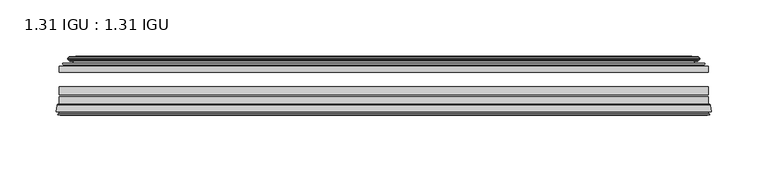
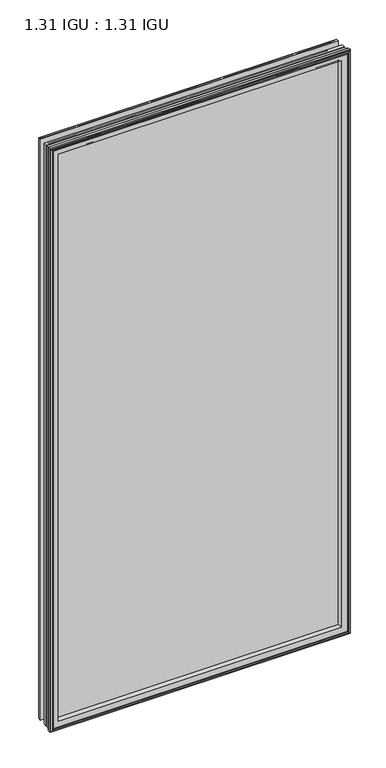
"""IFC4 building model written with IfcOpenShell, lengths in millimetres: plate geometry, 1.31 IGU : 1.31 IGU."""

from ifc_helpers import new_model, si_unit, frame, origin, place, context, project, spatial, polyline, ellipse_curve, outline, extrude, source, transform, mapped, element, save
from ifc_brep_helpers import plane_surface, cylinder_surface, revolved_surface, advanced_brep


def plate_1_31_igu_1_31_igu_f7e7b8e7(model_context):
    return source(origin(), model_context, "Body", "SolidModel", [
        extrude(outline(polyline([(287.3325649, -44.8960875), (287.3325649, -50.4332875), (-287.3375, -50.4332875), (-287.3375, -44.8960875), (287.3325649, -44.8960875)])), frame((0.0, 0.0, -14.2875), z_axis=(0.0, 0.0, 1.0), x_axis=(1.0, 0.0, 0.0)), (0.0, 0.0, 1.0), 1184.275),
        extrude(outline(polyline([(-287.3375, -78.7796875), (-287.3375, -71.7692875), (287.3325649, -71.7692875), (287.3325649, -78.7796875), (-287.3375, -78.7796875)])), frame((0.0, 0.0, -14.2875), z_axis=(0.0, 0.0, 1.0), x_axis=(1.0, 0.0, 0.0)), (0.0, 0.0, 1.0), 1184.275),
        extrude(outline(polyline([(-287.3375, -70.2452875), (-287.3375, -63.1332875), (287.3325649, -63.1332875), (287.3325649, -70.2452875), (-287.3375, -70.2452875)])), frame((0.0, 0.0, -14.2875), z_axis=(0.0, 0.0, 1.0), x_axis=(1.0, 0.0, 0.0)), (0.0, 0.0, 1.0), 1184.275),
        advanced_brep(
        [(-289.8844039, -85.1296875, 1172.5344039), (-289.1896201, -79.4711276, 1171.8396201), (-289.1896201, -79.4711276, -16.1396201), (-289.8844039, -85.1296875, -16.8344039), (-287.4968039, -87.1207518, 1170.1468039), (-287.9540039, -85.1296875, 1170.6040039), (-287.9540039, -85.1296875, -14.9040039), (-287.4968039, -87.1207518, -14.4468039), (-288.4981658, -86.8524376, 1171.1481658), (-288.4981658, -86.8524376, -15.4481658), (-288.7414039, -87.7602147, 1171.3914039), (-288.7414039, -87.7602147, -15.6914039), (-286.7094039, -88.3046875, 1169.3594039), (-286.7094039, -88.3046875, -13.6594039), (-284.6774039, -87.7602147, 1167.3274039), (-284.6774039, -87.7602147, -11.6274039), (-284.9206421, -86.8524376, 1167.5706421), (-284.9206421, -86.8524376, -11.8706421), (-285.9220039, -87.1207518, 1168.5720039), (-285.9220039, -87.1207518, -12.8720039), (-285.4648039, -85.1296875, 1168.1148039), (-285.4648039, -85.1296875, -12.4148039), (-288.4080893, -78.7796875, 1171.0580893), (-288.4080893, -78.7796875, -15.3580893), (289.1896201, -79.4711276, -16.1396201), (289.8844039, -85.1296875, -16.8344039), (287.9540039, -85.1296875, -14.9040039), (287.4968039, -87.1207518, -14.4468039), (288.4981658, -86.8524376, -15.4481658), (288.7414039, -87.7602147, -15.6914039), (286.7094039, -88.3046875, -13.6594039), (284.6774039, -87.7602147, -11.6274039), (284.9206421, -86.8524376, -11.8706421), (285.9220039, -87.1207518, -12.8720039), (285.4648039, -85.1296875, -12.4148039), (288.4080893, -78.7796875, -15.3580893), (289.1896201, -79.4711276, 1171.8396201), (289.8844039, -85.1296875, 1172.5344039), (287.9540039, -85.1296875, 1170.6040039), (287.4968039, -87.1207518, 1170.1468039), (288.4981658, -86.8524376, 1171.1481658), (288.7414039, -87.7602147, 1171.3914039), (286.7094039, -88.3046875, 1169.3594039), (284.6774039, -87.7602147, 1167.3274039), (284.9206421, -86.8524376, 1167.5706421), (285.9220039, -87.1207518, 1168.5720039), (285.4648039, -85.1296875, 1168.1148039), (288.4080893, -78.7796875, 1171.0580893), (-273.0622131, -85.1296875, 1155.7122131), (273.0622131, -85.1296875, 1155.7122131), (273.0622131, -85.1296875, -0.0122131), (-273.0622131, -85.1296875, -0.0122131), (-269.7459362, -78.7796875, 3.3040638), (269.7459362, -78.7796875, 3.3040638), (269.7459362, -78.7796875, 1152.3959362), (-269.7459362, -78.7796875, 1152.3959362)],
        [
            (0, 1),
            (1, 2),
            (2, 3),
            (3, 0),
            (4, 5),
            (5, 6),
            (6, 7),
            (7, 4),
            (8, 4),
            (7, 9),
            (9, 8),
            (10, 8),
            (9, 11),
            (11, 10),
            (12, 10),
            (11, 13),
            (13, 12),
            (14, 12),
            (13, 15),
            (15, 14),
            (16, 14),
            (15, 17),
            (17, 16),
            (18, 16),
            (17, 19),
            (19, 18),
            (20, 18),
            (19, 21),
            (21, 20),
            (1, 22, ellipse_curve(frame((-288.4080893, -79.5670875, 1171.0580893), z_axis=(-0.7071067811865475, 0.0, -0.7071067811865475), x_axis=(-0.7071067811865474, 0.0, 0.7071067811865476)), 1.1135518, 0.7874)),
            (22, 23),
            (23, 2, ellipse_curve(frame((-288.4080893, -79.5670875, -15.3580893), z_axis=(-0.7071067811865475, 0.0, 0.7071067811865475), x_axis=(0.7071067811865474, 0.0, 0.7071067811865476)), 1.1135518, 0.7874)),
            (2, 24),
            (24, 25),
            (25, 3),
            (6, 26),
            (26, 27),
            (27, 7),
            (27, 28),
            (28, 9),
            (28, 29),
            (29, 11),
            (29, 30),
            (30, 13),
            (30, 31),
            (31, 15),
            (31, 32),
            (32, 17),
            (32, 33),
            (33, 19),
            (33, 34),
            (34, 21),
            (23, 35),
            (35, 24, ellipse_curve(frame((288.4080893, -79.5670875, -15.3580893), z_axis=(-0.7071067811865475, 0.0, -0.7071067811865475), x_axis=(-0.7071067811865476, 0.0, 0.7071067811865474)), 1.1135518, 0.7874)),
            (24, 36),
            (36, 37),
            (37, 25),
            (26, 38),
            (38, 39),
            (39, 27),
            (39, 40),
            (40, 28),
            (40, 41),
            (41, 29),
            (41, 42),
            (42, 30),
            (42, 43),
            (43, 31),
            (43, 44),
            (44, 32),
            (44, 45),
            (45, 33),
            (45, 46),
            (46, 34),
            (35, 47),
            (47, 36, ellipse_curve(frame((288.4080893, -79.5670875, 1171.0580893), z_axis=(0.7071067811865475, 0.0, -0.7071067811865475), x_axis=(-0.7071067811865474, 0.0, -0.7071067811865476)), 1.1135518, 0.7874)),
            (36, 1),
            (0, 37),
            (5, 38),
            (4, 39),
            (8, 40),
            (10, 41),
            (12, 42),
            (14, 43),
            (16, 44),
            (18, 45),
            (20, 46),
            (48, 49),
            (49, 50),
            (50, 51),
            (51, 48),
            (22, 47),
            (52, 53),
            (53, 54),
            (54, 55),
            (55, 52),
            (55, 48, ellipse_curve(frame((-261.8129182, -86.963653, 1144.4629182), z_axis=(0.7071067811865475, 0.0, 0.7071067811865475), x_axis=(0.7071067811865474, 0.0, -0.7071067811865476)), 16.118937, 11.3978097)),
            (51, 52, ellipse_curve(frame((-261.8129182, -86.963653, 11.2370818), z_axis=(0.7071067811865475, 0.0, -0.7071067811865475), x_axis=(-0.7071067811865474, 0.0, -0.7071067811865476)), 16.118937, 11.3978097)),
            (50, 53, ellipse_curve(frame((261.8129182, -86.963653, 11.2370818), z_axis=(0.7071067811865475, 0.0, 0.7071067811865475), x_axis=(0.7071067811865476, 0.0, -0.7071067811865474)), 16.118937, 11.3978097)),
            (49, 54, ellipse_curve(frame((261.8129182, -86.963653, 1144.4629182), z_axis=(-0.7071067811865475, 0.0, 0.7071067811865475), x_axis=(0.7071067811865474, 0.0, 0.7071067811865476)), 16.118937, 11.3978097)),
        ],
        [
            plane_surface(frame((-289.1896201, -79.4711276, 1171.8396201), z_axis=(-0.9925461516413008, 0.12186934340532066, 0.0), x_axis=(0.0, 0.0, -1.0))),
            plane_surface(frame((-287.9540039, -85.1296875, 1170.6040039), z_axis=(-0.9746347637895996, -0.22380142361654334, 0.0), x_axis=(0.0, 0.0, -1.0))),
            plane_surface(frame((-287.4968039, -87.1207518, 1170.1468039), z_axis=(0.25881904510266784, 0.9659258262890289, 0.0), x_axis=(0.0, 0.0, -1.0))),
            plane_surface(frame((-288.4981658, -86.8524376, 1171.1481658), z_axis=(-0.9659258262890449, 0.2588190451026083, 0.0), x_axis=(0.0, 0.0, -1.0))),
            plane_surface(frame((-288.7414039, -87.7602147, 1171.3914039), z_axis=(-0.2588190451025689, -0.9659258262890554, 0.0), x_axis=(0.0, 0.0, -1.0))),
            plane_surface(frame((-286.7094039, -88.3046875, 1169.3594039), z_axis=(0.25881904510241466, -0.9659258262890968, 0.0), x_axis=(0.0, 0.0, -1.0))),
            plane_surface(frame((-284.6774039, -87.7602147, 1167.3274039), z_axis=(0.9659258262890272, 0.25881904510267406, 0.0), x_axis=(0.0, 0.0, -1.0))),
            plane_surface(frame((-284.9206421, -86.8524376, 1167.5706421), z_axis=(-0.25881904510234177, 0.9659258262891163, 0.0), x_axis=(0.0, 0.0, -1.0))),
            plane_surface(frame((-285.9220039, -87.1207518, 1168.5720039), z_axis=(0.9746347637895937, -0.22380142361656946, 0.0), x_axis=(0.0, 0.0, -1.0))),
            cylinder_surface(frame((-288.4080893, -79.5670875, 1187.45), z_axis=(0.0, 0.0, 1.0), x_axis=(-1.0, 0.0, 0.0)), 0.7874),
            plane_surface(frame((-289.1896201, -79.4711276, -16.1396201), z_axis=(0.0, 0.12186934340531747, -0.9925461516413012), x_axis=(1.0, 0.0, 0.0))),
            plane_surface(frame((-287.9540039, -85.1296875, -14.9040039), z_axis=(0.0, -0.22380142361654648, -0.9746347637895989), x_axis=(1.0, 0.0, 0.0))),
            plane_surface(frame((-287.4968039, -87.1207518, -14.4468039), z_axis=(0.0, 0.9659258262890298, 0.25881904510266474), x_axis=(1.0, 0.0, 0.0))),
            plane_surface(frame((-288.4981658, -86.8524376, -15.4481658), z_axis=(0.0, 0.25881904510260517, -0.9659258262890458), x_axis=(1.0, 0.0, 0.0))),
            plane_surface(frame((-288.7414039, -87.7602147, -15.6914039), z_axis=(0.0, -0.9659258262890563, -0.2588190451025658), x_axis=(1.0, 0.0, 0.0))),
            plane_surface(frame((-286.7094039, -88.3046875, -13.6594039), z_axis=(0.0, -0.965925826289096, 0.25881904510241777), x_axis=(1.0, 0.0, 0.0))),
            plane_surface(frame((-284.6774039, -87.7602147, -11.6274039), z_axis=(0.0, 0.2588190451026772, 0.9659258262890265), x_axis=(1.0, 0.0, 0.0))),
            plane_surface(frame((-284.9206421, -86.8524376, -11.8706421), z_axis=(0.0, 0.9659258262891154, -0.2588190451023449), x_axis=(1.0, 0.0, 0.0))),
            plane_surface(frame((-285.9220039, -87.1207518, -12.8720039), z_axis=(0.0, -0.22380142361656633, 0.9746347637895943), x_axis=(1.0, 0.0, 0.0))),
            cylinder_surface(frame((-304.8, -79.5670875, -15.3580893), z_axis=(-1.0, 0.0, 0.0), x_axis=(0.0, 0.0, -1.0)), 0.7874),
            plane_surface(frame((289.1896201, -79.4711276, -16.1396201), z_axis=(0.9925461516413017, 0.12186934340531427, 0.0), x_axis=(0.0, 0.0, 1.0))),
            plane_surface(frame((287.9540039, -85.1296875, -14.9040039), z_axis=(0.9746347637895982, -0.22380142361654962, 0.0), x_axis=(0.0, 0.0, 1.0))),
            plane_surface(frame((287.4968039, -87.1207518, -14.4468039), z_axis=(-0.2588190451026616, 0.9659258262890307, 0.0), x_axis=(0.0, 0.0, 1.0))),
            plane_surface(frame((288.4981658, -86.8524376, -15.4481658), z_axis=(0.9659258262890467, 0.25881904510260206, 0.0), x_axis=(0.0, 0.0, 1.0))),
            plane_surface(frame((288.7414039, -87.7602147, -15.6914039), z_axis=(0.2588190451025627, -0.9659258262890572, 0.0), x_axis=(0.0, 0.0, 1.0))),
            plane_surface(frame((286.7094039, -88.3046875, -13.6594039), z_axis=(-0.2588190451024209, -0.9659258262890951, 0.0), x_axis=(0.0, 0.0, 1.0))),
            plane_surface(frame((284.6774039, -87.7602147, -11.6274039), z_axis=(-0.9659258262890256, 0.25881904510268033, 0.0), x_axis=(0.0, 0.0, 1.0))),
            plane_surface(frame((284.9206421, -86.8524376, -11.8706421), z_axis=(0.25881904510234804, 0.9659258262891146, 0.0), x_axis=(0.0, 0.0, 1.0))),
            plane_surface(frame((285.9220039, -87.1207518, -12.8720039), z_axis=(-0.974634763789595, -0.2238014236165632, 0.0), x_axis=(0.0, 0.0, 1.0))),
            cylinder_surface(frame((288.4080893, -79.5670875, -31.75), z_axis=(0.0, 0.0, -1.0), x_axis=(1.0, 0.0, 0.0)), 0.7874),
            plane_surface(frame((289.1896201, -79.4711276, 1171.8396201), z_axis=(0.0, 0.12186934340531747, 0.9925461516413012), x_axis=(-1.0, 0.0, 0.0))),
            plane_surface(frame((289.8844039, -85.1296875, 1172.5344039), z_axis=(0.0, -1.0, 0.0), x_axis=(-1.0, 0.0, 0.0))),
            plane_surface(frame((287.9540039, -85.1296875, 1170.6040039), z_axis=(0.0, -0.22380142361654648, 0.9746347637895989), x_axis=(-1.0, 0.0, 0.0))),
            plane_surface(frame((287.4968039, -87.1207518, 1170.1468039), z_axis=(0.0, 0.9659258262890298, -0.25881904510266474), x_axis=(-1.0, 0.0, 0.0))),
            plane_surface(frame((288.4981658, -86.8524376, 1171.1481658), z_axis=(0.0, 0.25881904510260517, 0.9659258262890458), x_axis=(-1.0, 0.0, 0.0))),
            plane_surface(frame((288.7414039, -87.7602147, 1171.3914039), z_axis=(0.0, -0.9659258262890563, 0.2588190451025658), x_axis=(-1.0, 0.0, 0.0))),
            plane_surface(frame((286.7094039, -88.3046875, 1169.3594039), z_axis=(0.0, -0.965925826289096, -0.25881904510241777), x_axis=(-1.0, 0.0, 0.0))),
            plane_surface(frame((284.6774039, -87.7602147, 1167.3274039), z_axis=(0.0, 0.2588190451026772, -0.9659258262890265), x_axis=(-1.0, 0.0, 0.0))),
            plane_surface(frame((284.9206421, -86.8524376, 1167.5706421), z_axis=(0.0, 0.9659258262891155, 0.25881904510234494), x_axis=(-1.0, 0.0, 0.0))),
            plane_surface(frame((285.9220039, -87.1207518, 1168.5720039), z_axis=(0.0, -0.22380142361656633, -0.9746347637895943), x_axis=(-1.0, 0.0, 0.0))),
            plane_surface(frame((285.4648039, -85.1296875, 1168.1148039), z_axis=(0.0, -1.0, 0.0), x_axis=(-1.0, 0.0, 0.0))),
            plane_surface(frame((269.7459362, -78.7796875, 1152.3959362), z_axis=(0.0, 1.0, 0.0), x_axis=(-1.0, 0.0, 0.0))),
            cylinder_surface(frame((304.8, -79.5670875, 1171.0580893), z_axis=(1.0, 0.0, 0.0), x_axis=(0.0, 0.0, 1.0)), 0.7874),
            revolved_surface(polyline([(-273.2107279, -86.963653, -0.1607278582187064), (-273.2107279, -86.963653, 1155.8607278582188)]), (-261.8129182, -86.963653, 1187.45), (0.0, 0.0, -1.0)),
            revolved_surface(polyline([(273.2107278582187, -86.963653, -0.16072789999999948), (-273.2107278582188, -86.963653, -0.16072789999999948)]), (-304.8, -86.963653, 11.2370818), (1.0, 0.0, 0.0)),
            revolved_surface(polyline([(273.2107279, -86.963653, 1155.8607278582188), (273.2107279, -86.963653, -0.16072785821874191)]), (261.8129182, -86.963653, -31.75), (0.0, 0.0, 1.0)),
            revolved_surface(polyline([(-273.2107278582187, -86.963653, 1155.8607279), (273.2107278582188, -86.963653, 1155.8607279)]), (304.8, -86.963653, 1144.4629182), (-1.0, 0.0, 0.0)),
        ],
        [
            (0, [[1, 2, 3, 4]]),
            (1, [[5, 6, 7, 8]]),
            (2, [[9, -8, 10, 11]]),
            (3, [[12, -11, 13, 14]]),
            (4, [[15, -14, 16, 17]]),
            (5, [[18, -17, 19, 20]]),
            (6, [[21, -20, 22, 23]]),
            (7, [[24, -23, 25, 26]]),
            (8, [[27, -26, 28, 29]]),
            (9, [[30, 31, 32, -2]]),
            (10, [[-3, 33, 34, 35]]),
            (11, [[-7, 36, 37, 38]]),
            (12, [[-10, -38, 39, 40]]),
            (13, [[-13, -40, 41, 42]]),
            (14, [[-16, -42, 43, 44]]),
            (15, [[-19, -44, 45, 46]]),
            (16, [[-22, -46, 47, 48]]),
            (17, [[-25, -48, 49, 50]]),
            (18, [[-28, -50, 51, 52]]),
            (19, [[-32, 53, 54, -33]]),
            (20, [[-34, 55, 56, 57]]),
            (21, [[-37, 58, 59, 60]]),
            (22, [[-39, -60, 61, 62]]),
            (23, [[-41, -62, 63, 64]]),
            (24, [[-43, -64, 65, 66]]),
            (25, [[-45, -66, 67, 68]]),
            (26, [[-47, -68, 69, 70]]),
            (27, [[-49, -70, 71, 72]]),
            (28, [[-51, -72, 73, 74]]),
            (29, [[-54, 75, 76, -55]]),
            (30, [[-56, 77, -1, 78]]),
            (31, [[-35, -57, -78, -4], [79, -58, -36, -6]]),
            (32, [[-59, -79, -5, 80]]),
            (33, [[-61, -80, -9, 81]]),
            (34, [[-63, -81, -12, 82]]),
            (35, [[-65, -82, -15, 83]]),
            (36, [[-67, -83, -18, 84]]),
            (37, [[-69, -84, -21, 85]]),
            (38, [[-71, -85, -24, 86]]),
            (39, [[-73, -86, -27, 87]]),
            (40, [[-52, -74, -87, -29], [88, 89, 90, 91]]),
            (41, [[92, -75, -53, -31], [93, 94, 95, 96]]),
            (42, [[-76, -92, -30, -77]]),
            (43, [[97, -91, 98, -96]]),
            (44, [[-98, -90, 99, -93]]),
            (45, [[-99, -89, 100, -94]]),
            (46, [[-100, -88, -97, -95]]),
        ],
    ),
        advanced_brep(
        [(-277.9921755, -37.7373382, 1160.6421755), (-273.0505426, -36.3108875, 1155.7005426), (-273.0505426, -36.3108875, -0.0005426), (-277.9921755, -37.7373382, -4.9421755), (-277.8270702, -36.9605789, 1160.4770702), (-277.8270702, -36.9605789, -4.7770702), (-278.4225559, -36.4771203, 1161.0725559), (-278.4225559, -36.4771203, -5.3725559), (-279.6871917, -37.766076, 1162.3371917), (-279.6871917, -37.766076, -6.6371917), (-279.6763749, -38.8797852, 1162.3263749), (-279.6763749, -38.8797852, -6.6263749), (-278.3948897, -40.1361433, 1161.0448897), (-278.3948897, -40.1361433, -5.3448897), (-277.7898829, -39.649943, 1160.4398829), (-277.7898829, -39.649943, -4.7398829), (-278.3438972, -39.0959287, 1160.9938972), (-278.3438972, -39.0959287, -5.2938972), (-276.0580887, -38.7029881, 1158.7080887), (-276.0580887, -38.7029881, -3.0080887), (-274.5990157, -40.2107282, 1157.2490157), (-274.5990157, -40.2107282, -1.5490157), (-274.8955976, -41.651269, 1157.5455976), (-274.8955976, -41.651269, -1.8455976), (-275.6668221, -42.2798875, 1158.3168221), (-275.6668221, -42.2798875, -2.6168221), (-283.9707984, -43.4871542, 1166.6207984), (-283.6955969, -42.2798875, 1166.3455969), (-283.6955969, -42.2798875, -10.6455969), (-283.9707984, -43.4871542, -10.9207984), (-280.5132297, -44.8960875, 1163.1632297), (-280.5132297, -44.8960875, -7.4632297), (-269.4156059, -44.023302, 1152.0656059), (-269.7709439, -44.8960875, 1152.4209439), (-269.7709439, -44.8960875, 3.2790561), (-269.4156059, -44.023302, 3.6343941), (-270.086804, -43.3681812, 1152.736804), (-270.086804, -43.3681812, 2.963196), (-271.7275946, -40.6686056, 1154.3775946), (-271.7275946, -40.6686056, 1.3224054), (273.0505426, -36.3108875, -0.0005426), (277.9921755, -37.7373382, -4.9421755), (277.8270702, -36.9605789, -4.7770702), (278.4225559, -36.4771203, -5.3725559), (279.6871917, -37.766076, -6.6371917), (279.6763749, -38.8797852, -6.6263749), (278.3948897, -40.1361433, -5.3448897), (277.7898829, -39.649943, -4.7398829), (278.3438972, -39.0959287, -5.2938972), (276.0580887, -38.7029881, -3.0080887), (274.5990157, -40.2107282, -1.5490157), (274.8955976, -41.651269, -1.8455976), (275.6668221, -42.2798875, -2.6168221), (283.6955969, -42.2798875, -10.6455969), (283.9707984, -43.4871542, -10.9207984), (280.5132297, -44.8960875, -7.4632297), (269.7709439, -44.8960875, 3.2790561), (269.4156059, -44.023302, 3.6343941), (270.086804, -43.3681812, 2.963196), (271.7275946, -40.6686056, 1.3224054), (273.0505426, -36.3108875, 1155.7005426), (277.9921755, -37.7373382, 1160.6421755), (277.8270702, -36.9605789, 1160.4770702), (278.4225559, -36.4771203, 1161.0725559), (279.6871917, -37.766076, 1162.3371917), (279.6763749, -38.8797852, 1162.3263749), (278.3948897, -40.1361433, 1161.0448897), (277.7898829, -39.649943, 1160.4398829), (278.3438972, -39.0959287, 1160.9938972), (276.0580887, -38.7029881, 1158.7080887), (274.5990157, -40.2107282, 1157.2490157), (274.8955976, -41.651269, 1157.5455976), (275.6668221, -42.2798875, 1158.3168221), (283.6955969, -42.2798875, 1166.3455969), (283.9707984, -43.4871542, 1166.6207984), (280.5132297, -44.8960875, 1163.1632297), (269.7709439, -44.8960875, 1152.4209439), (269.4156059, -44.023302, 1152.0656059), (270.086804, -43.3681812, 1152.736804), (271.7275946, -40.6686056, 1154.3775946)],
        [
            (0, 1),
            (1, 2),
            (2, 3),
            (3, 0),
            (4, 0),
            (3, 5),
            (5, 4),
            (6, 4, ellipse_curve(frame((-278.1475871, -36.746901, 1160.7975871), z_axis=(-0.7071067811865475, 0.0, -0.7071067811865475), x_axis=(-0.7071067811865474, 0.0, 0.7071067811865476)), 0.5447741, 0.3852135)),
            (5, 7, ellipse_curve(frame((-278.1475871, -36.746901, -5.0975871), z_axis=(-0.7071067811865475, 0.0, 0.7071067811865475), x_axis=(0.7071067811865474, 0.0, 0.7071067811865476)), 0.5447741, 0.3852135)),
            (7, 6),
            (8, 6),
            (7, 9),
            (9, 8),
            (10, 8, ellipse_curve(frame((-279.1251387, -38.3175243, 1161.7751387), z_axis=(-0.7071067811865475, 0.0, -0.7071067811865475), x_axis=(-0.7071067811865474, 0.0, 0.7071067811865476)), 1.1135518, 0.7874)),
            (9, 11, ellipse_curve(frame((-279.1251387, -38.3175243, -6.0751387), z_axis=(-0.7071067811865475, 0.0, 0.7071067811865475), x_axis=(0.7071067811865474, 0.0, 0.7071067811865476)), 1.1135518, 0.7874)),
            (11, 10),
            (12, 10),
            (11, 13),
            (13, 12),
            (14, 12, ellipse_curve(frame((-278.1212922, -39.8570738, 1160.7712922), z_axis=(-0.7071067811865475, 0.0, -0.7071067811865475), x_axis=(-0.7071067811865474, 0.0, 0.7071067811865476)), 0.552694, 0.3908137)),
            (13, 15, ellipse_curve(frame((-278.1212922, -39.8570738, -5.0712922), z_axis=(-0.7071067811865475, 0.0, 0.7071067811865475), x_axis=(0.7071067811865474, 0.0, 0.7071067811865476)), 0.552694, 0.3908137)),
            (15, 14),
            (16, 14),
            (15, 17),
            (17, 16),
            (18, 16),
            (17, 19),
            (19, 18),
            (20, 18, ellipse_curve(frame((-275.8429261, -39.954629, 1158.4929261), z_axis=(0.7071067811865475, 0.0, 0.7071067811865475), x_axis=(0.7071067811865474, 0.0, -0.7071067811865476)), 1.7960512, 1.27)),
            (19, 21, ellipse_curve(frame((-275.8429261, -39.954629, -2.7929261), z_axis=(0.7071067811865475, 0.0, -0.7071067811865475), x_axis=(-0.7071067811865474, 0.0, -0.7071067811865476)), 1.7960512, 1.27)),
            (21, 20),
            (22, 20),
            (21, 23),
            (23, 22),
            (24, 22, ellipse_curve(frame((-275.6668221, -41.4924875, 1158.3168221), z_axis=(0.7071067811865475, 0.0, 0.7071067811865475), x_axis=(0.7071067811865474, 0.0, -0.7071067811865476)), 1.1135518, 0.7874)),
            (23, 25, ellipse_curve(frame((-275.6668221, -41.4924875, -2.6168221), z_axis=(0.7071067811865475, 0.0, -0.7071067811865475), x_axis=(-0.7071067811865474, 0.0, -0.7071067811865476)), 1.1135518, 0.7874)),
            (25, 24),
            (26, 27, ellipse_curve(frame((-283.6955969, -42.9148875, 1166.3455969), z_axis=(-0.7071067811865475, 0.0, -0.7071067811865475), x_axis=(-0.7071067811865474, 0.0, 0.7071067811865476)), 0.8980256, 0.635)),
            (27, 28),
            (28, 29, ellipse_curve(frame((-283.6955969, -42.9148875, -10.6455969), z_axis=(-0.7071067811865475, 0.0, 0.7071067811865475), x_axis=(0.7071067811865474, 0.0, 0.7071067811865476)), 0.8980256, 0.635)),
            (29, 26),
            (30, 26),
            (29, 31),
            (31, 30),
            (32, 33, ellipse_curve(frame((-269.7709439, -44.3873602, 1152.4209439), z_axis=(-0.7071067811865475, 0.0, -0.7071067811865475), x_axis=(-0.7071067811865474, 0.0, 0.7071067811865476)), 0.719449, 0.5087273)),
            (33, 34),
            (34, 35, ellipse_curve(frame((-269.7709439, -44.3873602, 3.2790561), z_axis=(-0.7071067811865475, 0.0, 0.7071067811865475), x_axis=(0.7071067811865474, 0.0, 0.7071067811865476)), 0.719449, 0.5087273)),
            (35, 32),
            (36, 32),
            (35, 37),
            (37, 36),
            (38, 36, ellipse_curve(frame((-265.6514298, -38.823959, 1148.3014298), z_axis=(0.7071067811865475, 0.0, 0.7071067811865475), x_axis=(0.7071067811865474, 0.0, -0.7071067811865476)), 8.9802561, 6.35)),
            (37, 39, ellipse_curve(frame((-265.6514298, -38.823959, 7.3985702), z_axis=(0.7071067811865475, 0.0, -0.7071067811865475), x_axis=(-0.7071067811865474, 0.0, -0.7071067811865476)), 8.9802561, 6.35)),
            (39, 38),
            (1, 38),
            (39, 2),
            (2, 40),
            (40, 41),
            (41, 3),
            (41, 42),
            (42, 5),
            (42, 43, ellipse_curve(frame((278.1475871, -36.746901, -5.0975871), z_axis=(-0.7071067811865475, 0.0, -0.7071067811865475), x_axis=(-0.7071067811865476, 0.0, 0.7071067811865474)), 0.5447741, 0.3852135)),
            (43, 7),
            (43, 44),
            (44, 9),
            (44, 45, ellipse_curve(frame((279.1251387, -38.3175243, -6.0751387), z_axis=(-0.7071067811865475, 0.0, -0.7071067811865475), x_axis=(-0.7071067811865476, 0.0, 0.7071067811865474)), 1.1135518, 0.7874)),
            (45, 11),
            (45, 46),
            (46, 13),
            (46, 47, ellipse_curve(frame((278.1212922, -39.8570738, -5.0712922), z_axis=(-0.7071067811865475, 0.0, -0.7071067811865475), x_axis=(-0.7071067811865476, 0.0, 0.7071067811865474)), 0.552694, 0.3908137)),
            (47, 15),
            (47, 48),
            (48, 17),
            (48, 49),
            (49, 19),
            (49, 50, ellipse_curve(frame((275.8429261, -39.954629, -2.7929261), z_axis=(0.7071067811865475, 0.0, 0.7071067811865475), x_axis=(0.7071067811865476, 0.0, -0.7071067811865474)), 1.7960512, 1.27)),
            (50, 21),
            (50, 51),
            (51, 23),
            (51, 52, ellipse_curve(frame((275.6668221, -41.4924875, -2.6168221), z_axis=(0.7071067811865475, 0.0, 0.7071067811865475), x_axis=(0.7071067811865476, 0.0, -0.7071067811865474)), 1.1135518, 0.7874)),
            (52, 25),
            (28, 53),
            (53, 54, ellipse_curve(frame((283.6955969, -42.9148875, -10.6455969), z_axis=(-0.7071067811865475, 0.0, -0.7071067811865475), x_axis=(-0.7071067811865476, 0.0, 0.7071067811865474)), 0.8980256, 0.635)),
            (54, 29),
            (54, 55),
            (55, 31),
            (34, 56),
            (56, 57, ellipse_curve(frame((269.7709439, -44.3873602, 3.2790561), z_axis=(-0.7071067811865475, 0.0, -0.7071067811865475), x_axis=(-0.7071067811865476, 0.0, 0.7071067811865474)), 0.719449, 0.5087273)),
            (57, 35),
            (57, 58),
            (58, 37),
            (58, 59, ellipse_curve(frame((265.6514298, -38.823959, 7.3985702), z_axis=(0.7071067811865475, 0.0, 0.7071067811865475), x_axis=(0.7071067811865476, 0.0, -0.7071067811865474)), 8.9802561, 6.35)),
            (59, 39),
            (59, 40),
            (40, 60),
            (60, 61),
            (61, 41),
            (61, 62),
            (62, 42),
            (62, 63, ellipse_curve(frame((278.1475871, -36.746901, 1160.7975871), z_axis=(0.7071067811865475, 0.0, -0.7071067811865475), x_axis=(-0.7071067811865474, 0.0, -0.7071067811865476)), 0.5447741, 0.3852135)),
            (63, 43),
            (63, 64),
            (64, 44),
            (64, 65, ellipse_curve(frame((279.1251387, -38.3175243, 1161.7751387), z_axis=(0.7071067811865475, 0.0, -0.7071067811865475), x_axis=(-0.7071067811865474, 0.0, -0.7071067811865476)), 1.1135518, 0.7874)),
            (65, 45),
            (65, 66),
            (66, 46),
            (66, 67, ellipse_curve(frame((278.1212922, -39.8570738, 1160.7712922), z_axis=(0.7071067811865475, 0.0, -0.7071067811865475), x_axis=(-0.7071067811865474, 0.0, -0.7071067811865476)), 0.552694, 0.3908137)),
            (67, 47),
            (67, 68),
            (68, 48),
            (68, 69),
            (69, 49),
            (69, 70, ellipse_curve(frame((275.8429261, -39.954629, 1158.4929261), z_axis=(-0.7071067811865475, 0.0, 0.7071067811865475), x_axis=(0.7071067811865474, 0.0, 0.7071067811865476)), 1.7960512, 1.27)),
            (70, 50),
            (70, 71),
            (71, 51),
            (71, 72, ellipse_curve(frame((275.6668221, -41.4924875, 1158.3168221), z_axis=(-0.7071067811865475, 0.0, 0.7071067811865475), x_axis=(0.7071067811865474, 0.0, 0.7071067811865476)), 1.1135518, 0.7874)),
            (72, 52),
            (53, 73),
            (73, 74, ellipse_curve(frame((283.6955969, -42.9148875, 1166.3455969), z_axis=(0.7071067811865475, 0.0, -0.7071067811865475), x_axis=(-0.7071067811865474, 0.0, -0.7071067811865476)), 0.8980256, 0.635)),
            (74, 54),
            (74, 75),
            (75, 55),
            (56, 76),
            (76, 77, ellipse_curve(frame((269.7709439, -44.3873602, 1152.4209439), z_axis=(0.7071067811865475, 0.0, -0.7071067811865475), x_axis=(-0.7071067811865474, 0.0, -0.7071067811865476)), 0.719449, 0.5087273)),
            (77, 57),
            (77, 78),
            (78, 58),
            (78, 79, ellipse_curve(frame((265.6514298, -38.823959, 1148.3014298), z_axis=(-0.7071067811865475, 0.0, 0.7071067811865475), x_axis=(0.7071067811865474, 0.0, 0.7071067811865476)), 8.9802561, 6.35)),
            (79, 59),
            (79, 60),
            (60, 1),
            (0, 61),
            (4, 62),
            (6, 63),
            (8, 64),
            (10, 65),
            (12, 66),
            (14, 67),
            (16, 68),
            (18, 69),
            (20, 70),
            (22, 71),
            (24, 72),
            (27, 73),
            (26, 74),
            (30, 75),
            (33, 76),
            (32, 77),
            (36, 78),
            (38, 79),
        ],
        [
            plane_surface(frame((-273.0505426, -36.3108875, 1155.7005426), z_axis=(-0.27733649284928463, 0.9607728502273879, 0.0), x_axis=(0.0, 0.0, -1.0))),
            plane_surface(frame((-277.9921755, -37.7373382, 1160.6421755), z_axis=(0.9781476007338358, -0.20791169081761768, 0.0), x_axis=(0.0, 0.0, -1.0))),
            cylinder_surface(frame((-278.1475871, -36.746901, 1187.45), z_axis=(0.0, 0.0, 1.0), x_axis=(-1.0, 0.0, 0.0)), 0.3852135),
            plane_surface(frame((-278.4225559, -36.4771203, 1161.0725559), z_axis=(-0.7138087599382162, 0.7003406701280928, 0.0), x_axis=(0.0, 0.0, -1.0))),
            cylinder_surface(frame((-279.1251387, -38.3175243, 1187.45), z_axis=(0.0, 0.0, 1.0), x_axis=(-1.0, 0.0, 0.0)), 0.7874),
            plane_surface(frame((-279.6763749, -38.8797852, 1162.3263749), z_axis=(-0.7000714109283732, -0.7140728391423082, 0.0), x_axis=(0.0, 0.0, -1.0))),
            cylinder_surface(frame((-278.1212922, -39.8570738, 1187.45), z_axis=(0.0, 0.0, 1.0), x_axis=(-1.0, 0.0, 0.0)), 0.3908137),
            plane_surface(frame((-277.7898829, -39.649943, 1160.4398829), z_axis=(0.7071067811861126, 0.7071067811869826, 0.0), x_axis=(0.0, 0.0, -1.0))),
            plane_surface(frame((-278.3438972, -39.0959287, 1160.9938972), z_axis=(0.16941940671011485, -0.9855440449974789, 0.0), x_axis=(0.0, 0.0, -1.0))),
            revolved_surface(polyline([(-277.1129261, -39.954629, -4.062926082878221), (-277.1129261, -39.954629, 1159.7629260828783)]), (-275.8429261, -39.954629, 1187.45), (0.0, 0.0, -1.0)),
            plane_surface(frame((-274.5990157, -40.2107282, 1157.2490157), z_axis=(-0.9794570432566897, 0.201652920670302, 0.0), x_axis=(0.0, 0.0, -1.0))),
            revolved_surface(polyline([(-276.4542221, -41.4924875, -3.4042221289826102), (-276.4542221, -41.4924875, 1159.1042221289827)]), (-275.6668221, -41.4924875, 1187.45), (0.0, 0.0, -1.0)),
            cylinder_surface(frame((-283.6955969, -42.9148875, 1187.45), z_axis=(0.0, 0.0, 1.0), x_axis=(-1.0, 0.0, 0.0)), 0.635),
            plane_surface(frame((-283.9707984, -43.4871542, 1166.6207984), z_axis=(-0.37736447542757934, -0.9260648209954139, 0.0), x_axis=(0.0, 0.0, -1.0))),
            cylinder_surface(frame((-269.7709439, -44.3873602, 1187.45), z_axis=(0.0, 0.0, 1.0), x_axis=(-1.0, 0.0, 0.0)), 0.5087273),
            plane_surface(frame((-269.4156059, -44.023302, 1152.0656059), z_axis=(0.698484125849927, 0.7156255486884628, 0.0), x_axis=(0.0, 0.0, -1.0))),
            revolved_surface(polyline([(-272.00142980000004, -38.823959, 1.0485702148980636), (-272.00142980000004, -38.823959, 1154.651429785102)]), (-265.6514298, -38.823959, 1187.45), (0.0, 0.0, -1.0)),
            plane_surface(frame((-271.7275946, -40.6686056, 1154.3775946), z_axis=(0.9568763473517009, 0.2904955350411896, 0.0), x_axis=(0.0, 0.0, -1.0))),
            plane_surface(frame((-273.0505426, -36.3108875, -0.0005426), z_axis=(0.0, 0.960772850227387, -0.27733649284928774), x_axis=(1.0, 0.0, 0.0))),
            plane_surface(frame((-277.9921755, -37.7373382, -4.9421755), z_axis=(0.0, -0.20791169081761454, 0.9781476007338364), x_axis=(1.0, 0.0, 0.0))),
            cylinder_surface(frame((-304.8, -36.746901, -5.0975871), z_axis=(-1.0, 0.0, 0.0), x_axis=(0.0, 0.0, -1.0)), 0.3852135),
            plane_surface(frame((-278.4225559, -36.4771203, -5.3725559), z_axis=(0.0, 0.7003406701280904, -0.7138087599382185), x_axis=(1.0, 0.0, 0.0))),
            cylinder_surface(frame((-304.8, -38.3175243, -6.0751387), z_axis=(-1.0, 0.0, 0.0), x_axis=(0.0, 0.0, -1.0)), 0.7874),
            plane_surface(frame((-279.6763749, -38.8797852, -6.6263749), z_axis=(0.0, -0.7140728391423105, -0.7000714109283709), x_axis=(1.0, 0.0, 0.0))),
            cylinder_surface(frame((-304.8, -39.8570738, -5.0712922), z_axis=(-1.0, 0.0, 0.0), x_axis=(0.0, 0.0, -1.0)), 0.3908137),
            plane_surface(frame((-277.7898829, -39.649943, -4.7398829), z_axis=(0.0, 0.7071067811869849, 0.7071067811861103), x_axis=(1.0, 0.0, 0.0))),
            plane_surface(frame((-278.3438972, -39.0959287, -5.2938972), z_axis=(0.0, -0.9855440449974784, 0.16941940671011801), x_axis=(1.0, 0.0, 0.0))),
            revolved_surface(polyline([(277.11292608287835, -39.954629, -4.0629261), (-277.11292608287823, -39.954629, -4.0629261)]), (-304.8, -39.954629, -2.7929261), (1.0, 0.0, 0.0)),
            plane_surface(frame((-274.5990157, -40.2107282, -1.5490157), z_axis=(0.0, 0.20165292067029883, -0.9794570432566904), x_axis=(1.0, 0.0, 0.0))),
            revolved_surface(polyline([(276.4542221289824, -41.4924875, -3.4042220999999997), (-276.45422212898245, -41.4924875, -3.4042220999999997)]), (-304.8, -41.4924875, -2.6168221), (1.0, 0.0, 0.0)),
            cylinder_surface(frame((-304.8, -42.9148875, -10.6455969), z_axis=(-1.0, 0.0, 0.0), x_axis=(0.0, 0.0, -1.0)), 0.635),
            plane_surface(frame((-283.9707984, -43.4871542, -10.9207984), z_axis=(0.0, -0.9260648209954151, -0.37736447542757634), x_axis=(1.0, 0.0, 0.0))),
            cylinder_surface(frame((-304.8, -44.3873602, 3.2790561), z_axis=(-1.0, 0.0, 0.0), x_axis=(0.0, 0.0, -1.0)), 0.5087273),
            plane_surface(frame((-269.4156059, -44.023302, 3.6343941), z_axis=(0.0, 0.7156255486884651, 0.6984841258499247), x_axis=(1.0, 0.0, 0.0))),
            revolved_surface(polyline([(272.00142978510183, -38.823959, 1.0485702000000003), (-272.0014297851019, -38.823959, 1.0485702000000003)]), (-304.8, -38.823959, 7.3985702), (1.0, 0.0, 0.0)),
            plane_surface(frame((-271.7275946, -40.6686056, 1.3224054), z_axis=(0.0, 0.29049553504119263, 0.9568763473517), x_axis=(1.0, 0.0, 0.0))),
            plane_surface(frame((273.0505426, -36.3108875, -0.0005426), z_axis=(0.27733649284929085, 0.9607728502273861, 0.0), x_axis=(0.0, 0.0, 1.0))),
            plane_surface(frame((277.9921755, -37.7373382, -4.9421755), z_axis=(-0.9781476007338371, -0.2079116908176114, 0.0), x_axis=(0.0, 0.0, 1.0))),
            cylinder_surface(frame((278.1475871, -36.746901, -31.75), z_axis=(0.0, 0.0, -1.0), x_axis=(1.0, 0.0, 0.0)), 0.3852135),
            plane_surface(frame((278.4225559, -36.4771203, -5.3725559), z_axis=(0.7138087599382208, 0.7003406701280882, 0.0), x_axis=(0.0, 0.0, 1.0))),
            cylinder_surface(frame((279.1251387, -38.3175243, -31.75), z_axis=(0.0, 0.0, -1.0), x_axis=(1.0, 0.0, 0.0)), 0.7874),
            plane_surface(frame((279.6763749, -38.8797852, -6.6263749), z_axis=(0.7000714109283687, -0.7140728391423128, 0.0), x_axis=(0.0, 0.0, 1.0))),
            cylinder_surface(frame((278.1212922, -39.8570738, -31.75), z_axis=(0.0, 0.0, -1.0), x_axis=(1.0, 0.0, 0.0)), 0.3908137),
            plane_surface(frame((277.7898829, -39.649943, -4.7398829), z_axis=(-0.7071067811861079, 0.7071067811869872, 0.0), x_axis=(0.0, 0.0, 1.0))),
            plane_surface(frame((278.3438972, -39.0959287, -5.2938972), z_axis=(-0.16941940671012118, -0.9855440449974778, 0.0), x_axis=(0.0, 0.0, 1.0))),
            revolved_surface(polyline([(277.1129261, -39.954629, 1159.7629260828783), (277.1129261, -39.954629, -4.062926082878235)]), (275.8429261, -39.954629, -31.75), (0.0, 0.0, 1.0)),
            plane_surface(frame((274.5990157, -40.2107282, -1.5490157), z_axis=(0.979457043256691, 0.20165292067029567, 0.0), x_axis=(0.0, 0.0, 1.0))),
            revolved_surface(polyline([(276.4542221, -41.4924875, 1159.1042221289827), (276.4542221, -41.4924875, -3.404222128982486)]), (275.6668221, -41.4924875, -31.75), (0.0, 0.0, 1.0)),
            cylinder_surface(frame((283.6955969, -42.9148875, -31.75), z_axis=(0.0, 0.0, -1.0), x_axis=(1.0, 0.0, 0.0)), 0.635),
            plane_surface(frame((283.9707984, -43.4871542, -10.9207984), z_axis=(0.37736447542757334, -0.9260648209954163, 0.0), x_axis=(0.0, 0.0, 1.0))),
            cylinder_surface(frame((269.7709439, -44.3873602, -31.75), z_axis=(0.0, 0.0, -1.0), x_axis=(1.0, 0.0, 0.0)), 0.5087273),
            plane_surface(frame((269.4156059, -44.023302, 3.6343941), z_axis=(-0.6984841258499224, 0.7156255486884673, 0.0), x_axis=(0.0, 0.0, 1.0))),
            revolved_surface(polyline([(272.00142980000004, -38.823959, 1154.651429785102), (272.00142980000004, -38.823959, 1.0485702148981417)]), (265.6514298, -38.823959, -31.75), (0.0, 0.0, 1.0)),
            plane_surface(frame((271.7275946, -40.6686056, 1.3224054), z_axis=(-0.9568763473516991, 0.2904955350411957, 0.0), x_axis=(0.0, 0.0, 1.0))),
            plane_surface(frame((273.0505426, -36.3108875, 1155.7005426), z_axis=(0.0, 0.960772850227387, 0.27733649284928774), x_axis=(-1.0, 0.0, 0.0))),
            plane_surface(frame((277.9921755, -37.7373382, 1160.6421755), z_axis=(0.0, -0.20791169081761454, -0.9781476007338364), x_axis=(-1.0, 0.0, 0.0))),
            cylinder_surface(frame((304.8, -36.746901, 1160.7975871), z_axis=(1.0, 0.0, 0.0), x_axis=(0.0, 0.0, 1.0)), 0.3852135),
            plane_surface(frame((278.4225559, -36.4771203, 1161.0725559), z_axis=(0.0, 0.7003406701280904, 0.7138087599382185), x_axis=(-1.0, 0.0, 0.0))),
            cylinder_surface(frame((304.8, -38.3175243, 1161.7751387), z_axis=(1.0, 0.0, 0.0), x_axis=(0.0, 0.0, 1.0)), 0.7874),
            plane_surface(frame((279.6763749, -38.8797852, 1162.3263749), z_axis=(0.0, -0.7140728391423106, 0.700071410928371), x_axis=(-1.0, 0.0, 0.0))),
            cylinder_surface(frame((304.8, -39.8570738, 1160.7712922), z_axis=(1.0, 0.0, 0.0), x_axis=(0.0, 0.0, 1.0)), 0.3908137),
            plane_surface(frame((277.7898829, -39.649943, 1160.4398829), z_axis=(0.0, 0.7071067811869849, -0.7071067811861103), x_axis=(-1.0, 0.0, 0.0))),
            plane_surface(frame((278.3438972, -39.0959287, 1160.9938972), z_axis=(0.0, -0.9855440449974784, -0.16941940671011801), x_axis=(-1.0, 0.0, 0.0))),
            revolved_surface(polyline([(-277.11292608287835, -39.954629, 1159.7629261), (277.11292608287823, -39.954629, 1159.7629261)]), (304.8, -39.954629, 1158.4929261), (-1.0, 0.0, 0.0)),
            plane_surface(frame((274.5990157, -40.2107282, 1157.2490157), z_axis=(0.0, 0.20165292067029883, 0.9794570432566904), x_axis=(-1.0, 0.0, 0.0))),
            revolved_surface(polyline([(-276.4542221289824, -41.4924875, 1159.1042221), (276.45422212898245, -41.4924875, 1159.1042221)]), (304.8, -41.4924875, 1158.3168221), (-1.0, 0.0, 0.0)),
            plane_surface(frame((275.6668221, -42.2798875, 1158.3168221), z_axis=(0.0, 1.0, 0.0), x_axis=(-1.0, 0.0, 0.0))),
            cylinder_surface(frame((304.8, -42.9148875, 1166.3455969), z_axis=(1.0, 0.0, 0.0), x_axis=(0.0, 0.0, 1.0)), 0.635),
            plane_surface(frame((283.9707984, -43.4871542, 1166.6207984), z_axis=(0.0, -0.9260648209954151, 0.37736447542757634), x_axis=(-1.0, 0.0, 0.0))),
            plane_surface(frame((280.5132297, -44.8960875, 1163.1632297), z_axis=(0.0, -1.0, 0.0), x_axis=(-1.0, 0.0, 0.0))),
            cylinder_surface(frame((304.8, -44.3873602, 1152.4209439), z_axis=(1.0, 0.0, 0.0), x_axis=(0.0, 0.0, 1.0)), 0.5087273),
            plane_surface(frame((269.4156059, -44.023302, 1152.0656059), z_axis=(0.0, 0.7156255486884651, -0.6984841258499247), x_axis=(-1.0, 0.0, 0.0))),
            revolved_surface(polyline([(-272.00142978510183, -38.823959, 1154.6514298), (272.0014297851019, -38.823959, 1154.6514298)]), (304.8, -38.823959, 1148.3014298), (-1.0, 0.0, 0.0)),
            plane_surface(frame((271.7275946, -40.6686056, 1154.3775946), z_axis=(0.0, 0.29049553504119263, -0.9568763473517), x_axis=(-1.0, 0.0, 0.0))),
        ],
        [
            (0, [[1, 2, 3, 4]]),
            (1, [[5, -4, 6, 7]]),
            (2, [[8, -7, 9, 10]]),
            (3, [[11, -10, 12, 13]]),
            (4, [[14, -13, 15, 16]]),
            (5, [[17, -16, 18, 19]]),
            (6, [[20, -19, 21, 22]]),
            (7, [[23, -22, 24, 25]]),
            (8, [[26, -25, 27, 28]]),
            (9, [[29, -28, 30, 31]]),
            (10, [[32, -31, 33, 34]]),
            (11, [[35, -34, 36, 37]]),
            (12, [[38, 39, 40, 41]]),
            (13, [[42, -41, 43, 44]]),
            (14, [[45, 46, 47, 48]]),
            (15, [[49, -48, 50, 51]]),
            (16, [[52, -51, 53, 54]]),
            (17, [[55, -54, 56, -2]]),
            (18, [[-3, 57, 58, 59]]),
            (19, [[-6, -59, 60, 61]]),
            (20, [[-9, -61, 62, 63]]),
            (21, [[-12, -63, 64, 65]]),
            (22, [[-15, -65, 66, 67]]),
            (23, [[-18, -67, 68, 69]]),
            (24, [[-21, -69, 70, 71]]),
            (25, [[-24, -71, 72, 73]]),
            (26, [[-27, -73, 74, 75]]),
            (27, [[-30, -75, 76, 77]]),
            (28, [[-33, -77, 78, 79]]),
            (29, [[-36, -79, 80, 81]]),
            (30, [[-40, 82, 83, 84]]),
            (31, [[-43, -84, 85, 86]]),
            (32, [[-47, 87, 88, 89]]),
            (33, [[-50, -89, 90, 91]]),
            (34, [[-53, -91, 92, 93]]),
            (35, [[-56, -93, 94, -57]]),
            (36, [[-58, 95, 96, 97]]),
            (37, [[-60, -97, 98, 99]]),
            (38, [[-62, -99, 100, 101]]),
            (39, [[-64, -101, 102, 103]]),
            (40, [[-66, -103, 104, 105]]),
            (41, [[-68, -105, 106, 107]]),
            (42, [[-70, -107, 108, 109]]),
            (43, [[-72, -109, 110, 111]]),
            (44, [[-74, -111, 112, 113]]),
            (45, [[-76, -113, 114, 115]]),
            (46, [[-78, -115, 116, 117]]),
            (47, [[-80, -117, 118, 119]]),
            (48, [[-83, 120, 121, 122]]),
            (49, [[-85, -122, 123, 124]]),
            (50, [[-88, 125, 126, 127]]),
            (51, [[-90, -127, 128, 129]]),
            (52, [[-92, -129, 130, 131]]),
            (53, [[-94, -131, 132, -95]]),
            (54, [[-96, 133, -1, 134]]),
            (55, [[-98, -134, -5, 135]]),
            (56, [[-100, -135, -8, 136]]),
            (57, [[-102, -136, -11, 137]]),
            (58, [[-104, -137, -14, 138]]),
            (59, [[-106, -138, -17, 139]]),
            (60, [[-108, -139, -20, 140]]),
            (61, [[-110, -140, -23, 141]]),
            (62, [[-112, -141, -26, 142]]),
            (63, [[-114, -142, -29, 143]]),
            (64, [[-116, -143, -32, 144]]),
            (65, [[-118, -144, -35, 145]]),
            (66, [[146, -120, -82, -39], [-81, -119, -145, -37]]),
            (67, [[-121, -146, -38, 147]]),
            (68, [[-123, -147, -42, 148]]),
            (69, [[-86, -124, -148, -44], [149, -125, -87, -46]]),
            (70, [[-126, -149, -45, 150]]),
            (71, [[-128, -150, -49, 151]]),
            (72, [[-130, -151, -52, 152]]),
            (73, [[-132, -152, -55, -133]]),
        ],
    ),
    ])


if __name__ == "__main__":
    model = new_model("IFC4")
    model_context = context("Model", 3, world=origin())
    ifc_project = project(units=[si_unit("LENGTHUNIT", "METRE", prefix="MILLI")], contexts=[model_context])
    site = spatial("IfcSite", under=ifc_project)
    building = spatial("IfcBuilding", under=site)
    placement = place(None, origin())
    plate_1_31_igu_1_31_igu_shape = plate_1_31_igu_1_31_igu_f7e7b8e7(model_context)
    element("IfcPlate", 1, ObjectType="1.31 IGU : 1.31 IGU", at=placement, inside=building, context=model_context, shape_type="MappedRepresentation", body=[
        mapped(plate_1_31_igu_1_31_igu_shape, transform((0.0, 0.0, 0.0), x_axis=(1.0, 0.0, 0.0), y_axis=(0.0, 1.0, 0.0), z_axis=(0.0, 0.0, 1.0))),
    ])
    save(model, "model.ifc")
